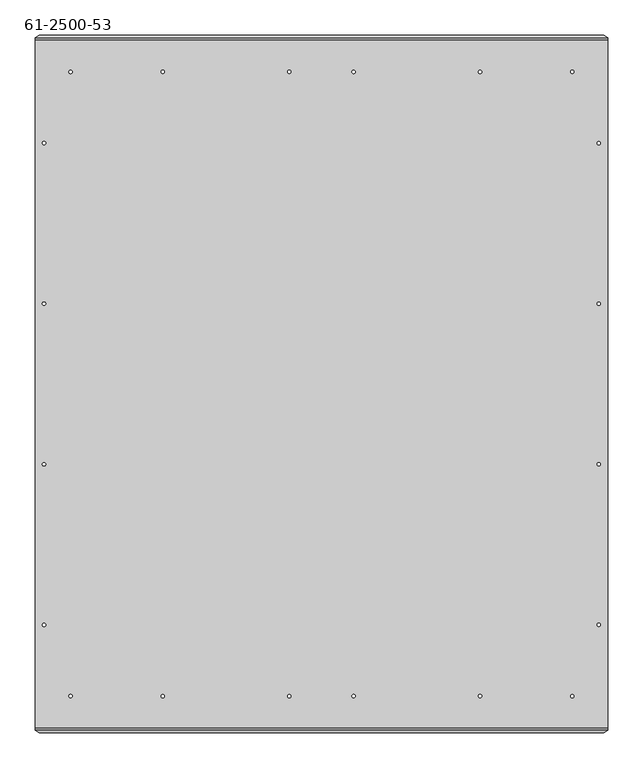
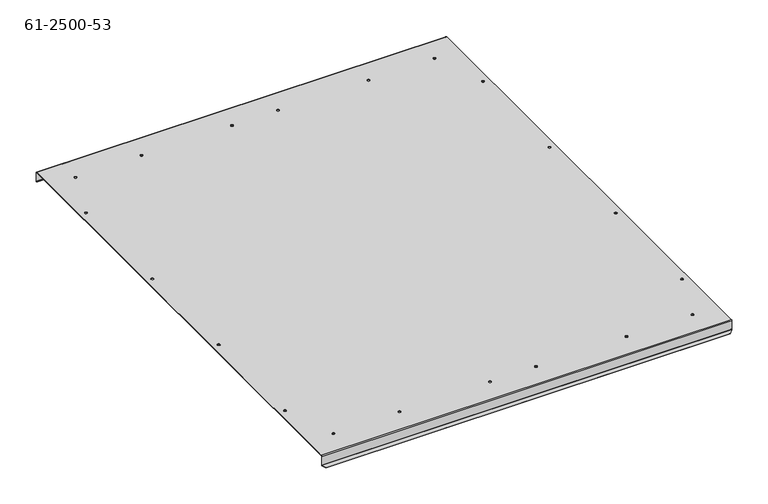
"""IFC4 building model written with IfcOpenShell, lengths in millimetres: proxy geometry, 61-2500-53."""

from ifc_helpers import new_model, si_unit, frame, origin, place, context, project, spatial, polyline, circle_curve, source, transform, mapped, element, save
from ifc_brep_helpers import plane_surface, cylinder_surface, revolved_surface, advanced_brep


def proxy_61_2500_53_4aa25e00(model_context):
    return source(origin(), model_context, "Body", "AdvancedBrep", [
        advanced_brep(
        [(-4.4783967, -120.6616292, -0.85344), (-4.4783967, -120.6616292, 0.0), (-9.1773967, -120.6616292, 0.0), (-9.1773967, -120.6616292, -0.85344), (-4.4783967, -349.0838292, -0.85344), (-4.4783967, -349.0838292, 0.0), (-9.1773967, -349.0838292, 0.0), (-9.1773967, -349.0838292, -0.85344), (-4.4783967, -577.5060292, -0.85344), (-4.4783967, -577.5060292, 0.0), (-9.1773967, -577.5060292, 0.0), (-9.1773967, -577.5060292, -0.85344), (-4.4783967, -805.9282292, -0.85344), (-4.4783967, -805.9282292, 0.0), (-9.1773967, -805.9282292, 0.0), (-9.1773967, -805.9282292, -0.85344), (784.6640433, -120.6616292, -0.85344), (784.6640433, -120.6616292, 0.0), (779.9650433, -120.6616292, 0.0), (779.9650433, -120.6616292, -0.85344), (784.6640433, -349.0838292, -0.85344), (784.6640433, -349.0838292, 0.0), (779.9650433, -349.0838292, 0.0), (779.9650433, -349.0838292, -0.85344), (784.6640433, -577.5060292, -0.85344), (784.6640433, -577.5060292, 0.0), (779.9650433, -577.5060292, 0.0), (779.9650433, -577.5060292, -0.85344), (784.6640433, -805.9282292, -0.85344), (784.6640433, -805.9282292, 0.0), (779.9650433, -805.9282292, 0.0), (779.9650433, -805.9282292, -0.85344), (344.3474233, -19.3410292, -0.85344), (344.3474233, -19.3410292, 0.0), (339.6484233, -19.3410292, 0.0), (339.6484233, -19.3410292, -0.85344), (435.8382233, -19.3410292, -0.85344), (435.8382233, -19.3410292, 0.0), (431.1392233, -19.3410292, 0.0), (431.1392233, -19.3410292, -0.85344), (615.7464233, -19.3410292, -0.85344), (615.7464233, -19.3410292, 0.0), (611.0474233, -19.3410292, 0.0), (611.0474233, -19.3410292, -0.85344), (344.3474233, -907.2488292, -0.85344), (344.3474233, -907.2488292, 0.0), (339.6484233, -907.2488292, 0.0), (339.6484233, -907.2488292, -0.85344), (435.8382233, -907.2488292, -0.85344), (435.8382233, -907.2488292, 0.0), (431.1392233, -907.2488292, 0.0), (431.1392233, -907.2488292, -0.85344), (615.7464233, -907.2488292, -0.85344), (615.7464233, -907.2488292, 0.0), (611.0474233, -907.2488292, 0.0), (611.0474233, -907.2488292, -0.85344), (164.4392233, -19.3410292, -0.85344), (164.4392233, -19.3410292, 0.0), (159.7402233, -19.3410292, 0.0), (159.7402233, -19.3410292, -0.85344), (33.2558433, -19.3410292, -0.85344), (33.2558433, -19.3410292, 0.0), (28.5568433, -19.3410292, 0.0), (28.5568433, -19.3410292, -0.85344), (33.2558433, -907.2488292, -0.85344), (33.2558433, -907.2488292, 0.0), (28.5568433, -907.2488292, 0.0), (28.5568433, -907.2488292, -0.85344), (164.4392233, -907.2488292, -0.85344), (164.4392233, -907.2488292, 0.0), (159.7402233, -907.2488292, 0.0), (159.7402233, -907.2488292, -0.85344), (746.9298033, -907.2488292, -0.85344), (746.9298033, -907.2488292, 0.0), (742.2308033, -907.2488292, 0.0), (742.2308033, -907.2488292, -0.85344), (746.9298033, -19.3410292, -0.85344), (746.9298033, -19.3410292, 0.0), (742.2308033, -19.3410292, 0.0), (742.2308033, -19.3410292, -0.85344), (-19.5278967, -955.0433929, -21.0996101), (-14.0160967, -958.940824, -24.9970413), (-14.0160967, -959.5442972, -24.3935681), (-19.5278967, -955.6468661, -20.4961369), (-19.5278967, -955.3041359, -20.1534068), (-19.5278967, -955.0541692, -19.5499336), (-19.5278967, -955.0541692, -1.70688), (-19.5278967, -953.3472892, 0.0), (-19.5278967, 26.7574308, 0.0), (-19.5278967, 28.4643108, -1.70688), (-19.5278967, 28.4643108, -19.5499336), (-19.5278967, 28.7142776, -20.1534068), (-19.5278967, 29.0570077, -20.4961369), (-19.5278967, 28.4535345, -21.0996101), (-19.5278967, 28.1108044, -20.75688), (-19.5278967, 27.6108708, -19.5499336), (-19.5278967, 27.6108708, -1.70688), (-19.5278967, 26.7574308, -0.85344), (-19.5278967, -953.3472892, -0.85344), (-19.5278967, -954.2007292, -1.70688), (-19.5278967, -954.2007292, -19.5499336), (-19.5278967, -954.7006627, -20.75688), (789.5027433, -959.5442972, -24.3935681), (795.0145433, -955.6468661, -20.4961369), (795.0145433, -955.3041359, -20.1534068), (-14.0160967, 32.3509657, -24.9970413), (-14.0160967, 32.9544389, -24.3935681), (789.5027433, 32.9544389, -24.3935681), (789.5027433, 32.3509657, -24.9970413), (795.0145433, 28.7142776, -20.1534068), (795.0145433, 29.0570077, -20.4961369), (789.5027433, -958.940824, -24.9970413), (795.0145433, -955.0433929, -21.0996101), (795.0145433, -954.7006627, -20.75688), (795.0145433, -954.2007292, -19.5499336), (795.0145433, -954.2007292, -1.70688), (795.0145433, -953.3472892, -0.85344), (795.0145433, 26.7574308, -0.85344), (795.0145433, 27.6108708, -1.70688), (795.0145433, 27.6108708, -19.5499336), (795.0145433, 28.1108044, -20.75688), (795.0145433, 28.4535345, -21.0996101), (795.0145433, 28.4643108, -19.5499336), (795.0145433, 28.4643108, -1.70688), (795.0145433, 26.7574308, 0.0), (795.0145433, -953.3472892, 0.0), (795.0145433, -955.0541692, -1.70688), (795.0145433, -955.0541692, -19.5499336)],
        [
            (0, 1),
            (1, 2, circle_curve(frame((-6.8278967, -120.6616292, 0.0), z_axis=(0.0, 0.0, 1.0), x_axis=(1.0, 0.0, 0.0)), 2.3495)),
            (2, 3),
            (3, 0, circle_curve(frame((-6.8278967, -120.6616292, -0.85344), z_axis=(0.0, 0.0, -1.0), x_axis=(1.0, 0.0, 0.0)), 2.3495)),
            (4, 5),
            (5, 6, circle_curve(frame((-6.8278967, -349.0838292, 0.0), z_axis=(0.0, 0.0, 1.0), x_axis=(1.0, 0.0, 0.0)), 2.3495)),
            (6, 7),
            (7, 4, circle_curve(frame((-6.8278967, -349.0838292, -0.85344), z_axis=(0.0, 0.0, -1.0), x_axis=(1.0, 0.0, 0.0)), 2.3495)),
            (8, 9),
            (9, 10, circle_curve(frame((-6.8278967, -577.5060292, 0.0), z_axis=(0.0, 0.0, 1.0), x_axis=(1.0, 0.0, 0.0)), 2.3495)),
            (10, 11),
            (11, 8, circle_curve(frame((-6.8278967, -577.5060292, -0.85344), z_axis=(0.0, 0.0, -1.0), x_axis=(1.0, 0.0, 0.0)), 2.3495)),
            (12, 13),
            (13, 14, circle_curve(frame((-6.8278967, -805.9282292, 0.0), z_axis=(0.0, 0.0, 1.0), x_axis=(1.0, 0.0, 0.0)), 2.3495)),
            (14, 15),
            (15, 12, circle_curve(frame((-6.8278967, -805.9282292, -0.85344), z_axis=(0.0, 0.0, -1.0), x_axis=(1.0, 0.0, 0.0)), 2.3495)),
            (16, 17),
            (17, 18, circle_curve(frame((782.3145433, -120.6616292, 0.0), z_axis=(0.0, 0.0, 1.0), x_axis=(1.0, 0.0, 0.0)), 2.3495)),
            (18, 19),
            (19, 16, circle_curve(frame((782.3145433, -120.6616292, -0.85344), z_axis=(0.0, 0.0, -1.0), x_axis=(1.0, 0.0, 0.0)), 2.3495)),
            (20, 21),
            (21, 22, circle_curve(frame((782.3145433, -349.0838292, 0.0), z_axis=(0.0, 0.0, 1.0), x_axis=(1.0, 0.0, 0.0)), 2.3495)),
            (22, 23),
            (23, 20, circle_curve(frame((782.3145433, -349.0838292, -0.85344), z_axis=(0.0, 0.0, -1.0), x_axis=(1.0, 0.0, 0.0)), 2.3495)),
            (24, 25),
            (25, 26, circle_curve(frame((782.3145433, -577.5060292, 0.0), z_axis=(0.0, 0.0, 1.0), x_axis=(1.0, 0.0, 0.0)), 2.3495)),
            (26, 27),
            (27, 24, circle_curve(frame((782.3145433, -577.5060292, -0.85344), z_axis=(0.0, 0.0, -1.0), x_axis=(1.0, 0.0, 0.0)), 2.3495)),
            (28, 29),
            (29, 30, circle_curve(frame((782.3145433, -805.9282292, 0.0), z_axis=(0.0, 0.0, 1.0), x_axis=(1.0, 0.0, 0.0)), 2.3495)),
            (30, 31),
            (31, 28, circle_curve(frame((782.3145433, -805.9282292, -0.85344), z_axis=(0.0, 0.0, -1.0), x_axis=(1.0, 0.0, 0.0)), 2.3495)),
            (32, 33),
            (33, 34, circle_curve(frame((341.9979233, -19.3410292, 0.0), z_axis=(0.0, 0.0, 1.0), x_axis=(1.0, 0.0, 0.0)), 2.3495)),
            (34, 35),
            (35, 32, circle_curve(frame((341.9979233, -19.3410292, -0.85344), z_axis=(0.0, 0.0, -1.0), x_axis=(1.0, 0.0, 0.0)), 2.3495)),
            (36, 37),
            (37, 38, circle_curve(frame((433.4887233, -19.3410292, 0.0), z_axis=(0.0, 0.0, 1.0), x_axis=(1.0, 0.0, 0.0)), 2.3495)),
            (38, 39),
            (39, 36, circle_curve(frame((433.4887233, -19.3410292, -0.85344), z_axis=(0.0, 0.0, -1.0), x_axis=(1.0, 0.0, 0.0)), 2.3495)),
            (40, 41),
            (41, 42, circle_curve(frame((613.3969233, -19.3410292, 0.0), z_axis=(0.0, 0.0, 1.0), x_axis=(1.0, 0.0, 0.0)), 2.3495)),
            (42, 43),
            (43, 40, circle_curve(frame((613.3969233, -19.3410292, -0.85344), z_axis=(0.0, 0.0, -1.0), x_axis=(1.0, 0.0, 0.0)), 2.3495)),
            (44, 45),
            (45, 46, circle_curve(frame((341.9979233, -907.2488292, 0.0), z_axis=(0.0, 0.0, 1.0), x_axis=(1.0, 0.0, 0.0)), 2.3495)),
            (46, 47),
            (47, 44, circle_curve(frame((341.9979233, -907.2488292, -0.85344), z_axis=(0.0, 0.0, -1.0), x_axis=(1.0, 0.0, 0.0)), 2.3495)),
            (48, 49),
            (49, 50, circle_curve(frame((433.4887233, -907.2488292, 0.0), z_axis=(0.0, 0.0, 1.0), x_axis=(1.0, 0.0, 0.0)), 2.3495)),
            (50, 51),
            (51, 48, circle_curve(frame((433.4887233, -907.2488292, -0.85344), z_axis=(0.0, 0.0, -1.0), x_axis=(1.0, 0.0, 0.0)), 2.3495)),
            (52, 53),
            (53, 54, circle_curve(frame((613.3969233, -907.2488292, 0.0), z_axis=(0.0, 0.0, 1.0), x_axis=(1.0, 0.0, 0.0)), 2.3495)),
            (54, 55),
            (55, 52, circle_curve(frame((613.3969233, -907.2488292, -0.85344), z_axis=(0.0, 0.0, -1.0), x_axis=(1.0, 0.0, 0.0)), 2.3495)),
            (56, 57),
            (57, 58, circle_curve(frame((162.0897233, -19.3410292, 0.0), z_axis=(0.0, 0.0, 1.0), x_axis=(1.0, 0.0, 0.0)), 2.3495)),
            (58, 59),
            (59, 56, circle_curve(frame((162.0897233, -19.3410292, -0.85344), z_axis=(0.0, 0.0, -1.0), x_axis=(1.0, 0.0, 0.0)), 2.3495)),
            (60, 61),
            (61, 62, circle_curve(frame((30.9063433, -19.3410292, 0.0), z_axis=(0.0, 0.0, 1.0), x_axis=(1.0, 0.0, 0.0)), 2.3495)),
            (62, 63),
            (63, 60, circle_curve(frame((30.9063433, -19.3410292, -0.85344), z_axis=(0.0, 0.0, -1.0), x_axis=(1.0, 0.0, 0.0)), 2.3495)),
            (64, 65),
            (65, 66, circle_curve(frame((30.9063433, -907.2488292, 0.0), z_axis=(0.0, 0.0, 1.0), x_axis=(1.0, 0.0, 0.0)), 2.3495)),
            (66, 67),
            (67, 64, circle_curve(frame((30.9063433, -907.2488292, -0.85344), z_axis=(0.0, 0.0, -1.0), x_axis=(1.0, 0.0, 0.0)), 2.3495)),
            (68, 69),
            (69, 70, circle_curve(frame((162.0897233, -907.2488292, 0.0), z_axis=(0.0, 0.0, 1.0), x_axis=(1.0, 0.0, 0.0)), 2.3495)),
            (70, 71),
            (71, 68, circle_curve(frame((162.0897233, -907.2488292, -0.85344), z_axis=(0.0, 0.0, -1.0), x_axis=(1.0, 0.0, 0.0)), 2.3495)),
            (72, 73),
            (73, 74, circle_curve(frame((744.5803033, -907.2488292, 0.0), z_axis=(0.0, 0.0, 1.0), x_axis=(1.0, 0.0, 0.0)), 2.3495)),
            (74, 75),
            (75, 72, circle_curve(frame((744.5803033, -907.2488292, -0.85344), z_axis=(0.0, 0.0, -1.0), x_axis=(1.0, 0.0, 0.0)), 2.3495)),
            (76, 77),
            (77, 78, circle_curve(frame((744.5803033, -19.3410292, 0.0), z_axis=(0.0, 0.0, 1.0), x_axis=(1.0, 0.0, 0.0)), 2.3495)),
            (78, 79),
            (79, 76, circle_curve(frame((744.5803033, -19.3410292, -0.85344), z_axis=(0.0, 0.0, -1.0), x_axis=(1.0, 0.0, 0.0)), 2.3495)),
            (76, 79, circle_curve(frame((744.5803033, -19.3410292, -0.85344), z_axis=(0.0, 0.0, -1.0), x_axis=(1.0, 0.0, 0.0)), 2.3495)),
            (78, 77, circle_curve(frame((744.5803033, -19.3410292, 0.0), z_axis=(0.0, 0.0, 1.0), x_axis=(1.0, 0.0, 0.0)), 2.3495)),
            (72, 75, circle_curve(frame((744.5803033, -907.2488292, -0.85344), z_axis=(0.0, 0.0, -1.0), x_axis=(1.0, 0.0, 0.0)), 2.3495)),
            (74, 73, circle_curve(frame((744.5803033, -907.2488292, 0.0), z_axis=(0.0, 0.0, 1.0), x_axis=(1.0, 0.0, 0.0)), 2.3495)),
            (68, 71, circle_curve(frame((162.0897233, -907.2488292, -0.85344), z_axis=(0.0, 0.0, -1.0), x_axis=(1.0, 0.0, 0.0)), 2.3495)),
            (70, 69, circle_curve(frame((162.0897233, -907.2488292, 0.0), z_axis=(0.0, 0.0, 1.0), x_axis=(1.0, 0.0, 0.0)), 2.3495)),
            (64, 67, circle_curve(frame((30.9063433, -907.2488292, -0.85344), z_axis=(0.0, 0.0, -1.0), x_axis=(1.0, 0.0, 0.0)), 2.3495)),
            (66, 65, circle_curve(frame((30.9063433, -907.2488292, 0.0), z_axis=(0.0, 0.0, 1.0), x_axis=(1.0, 0.0, 0.0)), 2.3495)),
            (60, 63, circle_curve(frame((30.9063433, -19.3410292, -0.85344), z_axis=(0.0, 0.0, -1.0), x_axis=(1.0, 0.0, 0.0)), 2.3495)),
            (62, 61, circle_curve(frame((30.9063433, -19.3410292, 0.0), z_axis=(0.0, 0.0, 1.0), x_axis=(1.0, 0.0, 0.0)), 2.3495)),
            (56, 59, circle_curve(frame((162.0897233, -19.3410292, -0.85344), z_axis=(0.0, 0.0, -1.0), x_axis=(1.0, 0.0, 0.0)), 2.3495)),
            (58, 57, circle_curve(frame((162.0897233, -19.3410292, 0.0), z_axis=(0.0, 0.0, 1.0), x_axis=(1.0, 0.0, 0.0)), 2.3495)),
            (52, 55, circle_curve(frame((613.3969233, -907.2488292, -0.85344), z_axis=(0.0, 0.0, -1.0), x_axis=(1.0, 0.0, 0.0)), 2.3495)),
            (54, 53, circle_curve(frame((613.3969233, -907.2488292, 0.0), z_axis=(0.0, 0.0, 1.0), x_axis=(1.0, 0.0, 0.0)), 2.3495)),
            (48, 51, circle_curve(frame((433.4887233, -907.2488292, -0.85344), z_axis=(0.0, 0.0, -1.0), x_axis=(1.0, 0.0, 0.0)), 2.3495)),
            (50, 49, circle_curve(frame((433.4887233, -907.2488292, 0.0), z_axis=(0.0, 0.0, 1.0), x_axis=(1.0, 0.0, 0.0)), 2.3495)),
            (44, 47, circle_curve(frame((341.9979233, -907.2488292, -0.85344), z_axis=(0.0, 0.0, -1.0), x_axis=(1.0, 0.0, 0.0)), 2.3495)),
            (46, 45, circle_curve(frame((341.9979233, -907.2488292, 0.0), z_axis=(0.0, 0.0, 1.0), x_axis=(1.0, 0.0, 0.0)), 2.3495)),
            (40, 43, circle_curve(frame((613.3969233, -19.3410292, -0.85344), z_axis=(0.0, 0.0, -1.0), x_axis=(1.0, 0.0, 0.0)), 2.3495)),
            (42, 41, circle_curve(frame((613.3969233, -19.3410292, 0.0), z_axis=(0.0, 0.0, 1.0), x_axis=(1.0, 0.0, 0.0)), 2.3495)),
            (36, 39, circle_curve(frame((433.4887233, -19.3410292, -0.85344), z_axis=(0.0, 0.0, -1.0), x_axis=(1.0, 0.0, 0.0)), 2.3495)),
            (38, 37, circle_curve(frame((433.4887233, -19.3410292, 0.0), z_axis=(0.0, 0.0, 1.0), x_axis=(1.0, 0.0, 0.0)), 2.3495)),
            (32, 35, circle_curve(frame((341.9979233, -19.3410292, -0.85344), z_axis=(0.0, 0.0, -1.0), x_axis=(1.0, 0.0, 0.0)), 2.3495)),
            (34, 33, circle_curve(frame((341.9979233, -19.3410292, 0.0), z_axis=(0.0, 0.0, 1.0), x_axis=(1.0, 0.0, 0.0)), 2.3495)),
            (28, 31, circle_curve(frame((782.3145433, -805.9282292, -0.85344), z_axis=(0.0, 0.0, -1.0), x_axis=(1.0, 0.0, 0.0)), 2.3495)),
            (30, 29, circle_curve(frame((782.3145433, -805.9282292, 0.0), z_axis=(0.0, 0.0, 1.0), x_axis=(1.0, 0.0, 0.0)), 2.3495)),
            (24, 27, circle_curve(frame((782.3145433, -577.5060292, -0.85344), z_axis=(0.0, 0.0, -1.0), x_axis=(1.0, 0.0, 0.0)), 2.3495)),
            (26, 25, circle_curve(frame((782.3145433, -577.5060292, 0.0), z_axis=(0.0, 0.0, 1.0), x_axis=(1.0, 0.0, 0.0)), 2.3495)),
            (20, 23, circle_curve(frame((782.3145433, -349.0838292, -0.85344), z_axis=(0.0, 0.0, -1.0), x_axis=(1.0, 0.0, 0.0)), 2.3495)),
            (22, 21, circle_curve(frame((782.3145433, -349.0838292, 0.0), z_axis=(0.0, 0.0, 1.0), x_axis=(1.0, 0.0, 0.0)), 2.3495)),
            (16, 19, circle_curve(frame((782.3145433, -120.6616292, -0.85344), z_axis=(0.0, 0.0, -1.0), x_axis=(1.0, 0.0, 0.0)), 2.3495)),
            (18, 17, circle_curve(frame((782.3145433, -120.6616292, 0.0), z_axis=(0.0, 0.0, 1.0), x_axis=(1.0, 0.0, 0.0)), 2.3495)),
            (12, 15, circle_curve(frame((-6.8278967, -805.9282292, -0.85344), z_axis=(0.0, 0.0, -1.0), x_axis=(1.0, 0.0, 0.0)), 2.3495)),
            (14, 13, circle_curve(frame((-6.8278967, -805.9282292, 0.0), z_axis=(0.0, 0.0, 1.0), x_axis=(1.0, 0.0, 0.0)), 2.3495)),
            (8, 11, circle_curve(frame((-6.8278967, -577.5060292, -0.85344), z_axis=(0.0, 0.0, -1.0), x_axis=(1.0, 0.0, 0.0)), 2.3495)),
            (10, 9, circle_curve(frame((-6.8278967, -577.5060292, 0.0), z_axis=(0.0, 0.0, 1.0), x_axis=(1.0, 0.0, 0.0)), 2.3495)),
            (4, 7, circle_curve(frame((-6.8278967, -349.0838292, -0.85344), z_axis=(0.0, 0.0, -1.0), x_axis=(1.0, 0.0, 0.0)), 2.3495)),
            (6, 5, circle_curve(frame((-6.8278967, -349.0838292, 0.0), z_axis=(0.0, 0.0, 1.0), x_axis=(1.0, 0.0, 0.0)), 2.3495)),
            (0, 3, circle_curve(frame((-6.8278967, -120.6616292, -0.85344), z_axis=(0.0, 0.0, -1.0), x_axis=(1.0, 0.0, 0.0)), 2.3495)),
            (2, 1, circle_curve(frame((-6.8278967, -120.6616292, 0.0), z_axis=(0.0, 0.0, 1.0), x_axis=(1.0, 0.0, 0.0)), 2.3495)),
            (80, 81),
            (81, 82),
            (82, 83),
            (83, 80),
            (83, 84),
            (84, 85, circle_curve(frame((-19.5278967, -955.9076092, -19.5499336), z_axis=(1.0, 0.0, 0.0), x_axis=(0.0, 1.0, 0.0)), 0.85344)),
            (85, 86),
            (86, 87, circle_curve(frame((-19.5278967, -953.3472892, -1.70688), z_axis=(-1.0, 0.0, 0.0), x_axis=(0.0, 0.0, 1.0)), 1.70688)),
            (87, 88),
            (88, 89, circle_curve(frame((-19.5278967, 26.7574308, -1.70688), z_axis=(-1.0, 0.0, 0.0), x_axis=(0.0, 0.0, 1.0)), 1.70688)),
            (89, 90),
            (90, 91, circle_curve(frame((-19.5278967, 29.3177508, -19.5499336), z_axis=(1.0, 0.0, 0.0), x_axis=(0.0, -1.0, 0.0)), 0.85344)),
            (91, 92),
            (92, 93),
            (93, 94),
            (94, 95, circle_curve(frame((-19.5278967, 29.3177508, -19.5499336), z_axis=(-1.0, 0.0, 0.0), x_axis=(0.0, -1.0, 0.0)), 1.70688)),
            (95, 96),
            (96, 97, circle_curve(frame((-19.5278967, 26.7574308, -1.70688), z_axis=(1.0, 0.0, 0.0), x_axis=(0.0, 0.0, 1.0)), 0.85344)),
            (97, 98),
            (98, 99, circle_curve(frame((-19.5278967, -953.3472892, -1.70688), z_axis=(1.0, 0.0, 0.0), x_axis=(0.0, 0.0, 1.0)), 0.85344)),
            (99, 100),
            (100, 101, circle_curve(frame((-19.5278967, -955.9076092, -19.5499336), z_axis=(-1.0, 0.0, 0.0), x_axis=(0.0, 1.0, 0.0)), 1.70688)),
            (101, 80),
            (82, 102),
            (102, 103),
            (103, 104),
            (104, 84),
            (105, 93),
            (92, 106),
            (106, 105),
            (106, 107),
            (107, 108),
            (108, 105),
            (91, 109),
            (109, 110),
            (110, 107),
            (111, 112),
            (112, 103),
            (102, 111),
            (112, 113),
            (113, 114, circle_curve(frame((795.0145433, -955.9076092, -19.5499336), z_axis=(1.0, 0.0, 0.0), x_axis=(0.0, 1.0, 0.0)), 1.70688)),
            (114, 115),
            (115, 116, circle_curve(frame((795.0145433, -953.3472892, -1.70688), z_axis=(-1.0, 0.0, 0.0), x_axis=(0.0, 0.0, 1.0)), 0.85344)),
            (116, 117),
            (117, 118, circle_curve(frame((795.0145433, 26.7574308, -1.70688), z_axis=(-1.0, 0.0, 0.0), x_axis=(0.0, 0.0, 1.0)), 0.85344)),
            (118, 119),
            (119, 120, circle_curve(frame((795.0145433, 29.3177508, -19.5499336), z_axis=(1.0, 0.0, 0.0), x_axis=(0.0, -1.0, 0.0)), 1.70688)),
            (120, 121),
            (121, 110),
            (109, 122, circle_curve(frame((795.0145433, 29.3177508, -19.5499336), z_axis=(-1.0, 0.0, 0.0), x_axis=(0.0, -1.0, 0.0)), 0.85344)),
            (122, 123),
            (123, 124, circle_curve(frame((795.0145433, 26.7574308, -1.70688), z_axis=(1.0, 0.0, 0.0), x_axis=(0.0, 0.0, 1.0)), 1.70688)),
            (124, 125),
            (125, 126, circle_curve(frame((795.0145433, -953.3472892, -1.70688), z_axis=(1.0, 0.0, 0.0), x_axis=(0.0, 0.0, 1.0)), 1.70688)),
            (126, 127),
            (127, 104, circle_curve(frame((795.0145433, -955.9076092, -19.5499336), z_axis=(-1.0, 0.0, 0.0), x_axis=(0.0, 1.0, 0.0)), 0.85344)),
            (121, 108),
            (120, 94),
            (90, 122),
            (119, 95),
            (89, 123),
            (81, 111),
            (101, 113),
            (127, 85),
            (100, 114),
            (99, 115),
            (126, 86),
            (98, 116),
            (125, 87),
            (97, 117),
            (118, 96),
            (88, 124),
        ],
        [
            revolved_surface(polyline([(-4.4783967, -120.6616292, 0.0), (-4.4783967, -120.6616292, -0.8534400000000915)]), (-6.8278967, -120.6616292, -1284.1954601), (0.0, 0.0, 1.0)),
            revolved_surface(polyline([(-4.4783967, -349.0838292, 0.0), (-4.4783967, -349.0838292, -0.8534400000000915)]), (-6.8278967, -349.0838292, -1284.1954601), (0.0, 0.0, 1.0)),
            revolved_surface(polyline([(-4.4783967, -577.5060292, 0.0), (-4.4783967, -577.5060292, -0.8534400000000915)]), (-6.8278967, -577.5060292, -1284.1954601), (0.0, 0.0, 1.0)),
            revolved_surface(polyline([(-4.4783967, -805.9282292, 0.0), (-4.4783967, -805.9282292, -0.8534400000000915)]), (-6.8278967, -805.9282292, -1284.1954601), (0.0, 0.0, 1.0)),
            revolved_surface(polyline([(784.6640433, -120.6616292, 0.0), (784.6640433, -120.6616292, -0.8534400000000915)]), (782.3145433, -120.6616292, -1284.1954601), (0.0, 0.0, 1.0)),
            revolved_surface(polyline([(784.6640433, -349.0838292, 0.0), (784.6640433, -349.0838292, -0.8534400000000915)]), (782.3145433, -349.0838292, -1284.1954601), (0.0, 0.0, 1.0)),
            revolved_surface(polyline([(784.6640433, -577.5060292, 0.0), (784.6640433, -577.5060292, -0.8534400000000915)]), (782.3145433, -577.5060292, -1284.1954601), (0.0, 0.0, 1.0)),
            revolved_surface(polyline([(784.6640433, -805.9282292, 0.0), (784.6640433, -805.9282292, -0.8534400000000915)]), (782.3145433, -805.9282292, -1284.1954601), (0.0, 0.0, 1.0)),
            revolved_surface(polyline([(344.3474233, -19.3410292, 0.0), (344.3474233, -19.3410292, -0.8534400000000915)]), (341.9979233, -19.3410292, -1284.1954601), (0.0, 0.0, 1.0)),
            revolved_surface(polyline([(435.8382233, -19.3410292, 0.0), (435.8382233, -19.3410292, -0.8534400000000915)]), (433.4887233, -19.3410292, -1284.1954601), (0.0, 0.0, 1.0)),
            revolved_surface(polyline([(615.7464233000001, -19.3410292, 0.0), (615.7464233000001, -19.3410292, -0.8534400000000915)]), (613.3969233, -19.3410292, -1284.1954601), (0.0, 0.0, 1.0)),
            revolved_surface(polyline([(344.3474233, -907.2488292, 0.0), (344.3474233, -907.2488292, -0.8534400000000915)]), (341.9979233, -907.2488292, -1284.1954601), (0.0, 0.0, 1.0)),
            revolved_surface(polyline([(435.8382233, -907.2488292, 0.0), (435.8382233, -907.2488292, -0.8534400000000915)]), (433.4887233, -907.2488292, -1284.1954601), (0.0, 0.0, 1.0)),
            revolved_surface(polyline([(615.7464233000001, -907.2488292, 0.0), (615.7464233000001, -907.2488292, -0.8534400000000915)]), (613.3969233, -907.2488292, -1284.1954601), (0.0, 0.0, 1.0)),
            revolved_surface(polyline([(164.4392233, -19.3410292, 0.0), (164.4392233, -19.3410292, -0.8534400000000915)]), (162.0897233, -19.3410292, -1284.1954601), (0.0, 0.0, 1.0)),
            revolved_surface(polyline([(33.2558433, -19.3410292, 0.0), (33.2558433, -19.3410292, -0.8534400000000915)]), (30.9063433, -19.3410292, -1284.1954601), (0.0, 0.0, 1.0)),
            revolved_surface(polyline([(33.2558433, -907.2488292, 0.0), (33.2558433, -907.2488292, -0.8534400000000915)]), (30.9063433, -907.2488292, -1284.1954601), (0.0, 0.0, 1.0)),
            revolved_surface(polyline([(164.4392233, -907.2488292, 0.0), (164.4392233, -907.2488292, -0.8534400000000915)]), (162.0897233, -907.2488292, -1284.1954601), (0.0, 0.0, 1.0)),
            revolved_surface(polyline([(746.9298033, -907.2488292, 0.0), (746.9298033, -907.2488292, -0.8534400000000915)]), (744.5803033, -907.2488292, -1284.1954601), (0.0, 0.0, 1.0)),
            revolved_surface(polyline([(746.9298033, -19.3410292, 0.0), (746.9298033, -19.3410292, -0.8534400000000915)]), (744.5803033, -19.3410292, -1284.1954601), (0.0, 0.0, 1.0)),
            plane_surface(frame((-16.7719967, -709.4708976, -270.5695365), z_axis=(-0.707106781186529, -0.49999999999998646, -0.5000000000000399), x_axis=(-0.5773502691896666, 0.0, 0.8164965809276973))),
            plane_surface(frame((-19.5278967, 32.9544389, -24.3935681), z_axis=(-1.0, 0.0, 0.0), x_axis=(0.0, 0.0, 1.0))),
            plane_surface(frame((387.7433233, -957.2992332, -22.148504), z_axis=(0.0, -0.7071067811865502, 0.7071067811865448), x_axis=(-1.0, 0.0, 0.0))),
            plane_surface(frame((-16.7719967, 31.0057233, -22.4448525), z_axis=(-0.707106781186546, 0.5000000000000002, -0.5000000000000021), x_axis=(-0.5773502691896283, 0.0, 0.8164965809277244))),
            plane_surface(frame((795.0145433, 32.9544389, -24.3935681), z_axis=(0.0, 0.7071067811865462, -0.7071067811865488), x_axis=(-1.0, 0.0, 0.0))),
            plane_surface(frame((387.7433233, 30.7093749, -22.148504), z_axis=(0.0, 0.7071067811865477, 0.7071067811865474), x_axis=(1.0, 0.0, 0.0))),
            plane_surface(frame((792.2586433, -711.7159616, -268.3244725), z_axis=(0.7071067811865475, -0.49999999999997347, -0.5000000000000269), x_axis=(-0.5773502691896465, 0.0, -0.8164965809277114))),
            plane_surface(frame((795.0145433, 28.4643108, -19.90344), z_axis=(1.0, 0.0, 0.0), x_axis=(0.0, 0.0, -1.0))),
            plane_surface(frame((792.2586433, 31.0057233, -22.4448525), z_axis=(0.707106781186546, 0.5000000000000002, -0.5000000000000021), x_axis=(-0.5773502691896283, 0.0, -0.8164965809277244))),
            plane_surface(frame((387.7433233, 30.1059017, -22.7519772), z_axis=(0.0, -0.7071067811865478, -0.7071067811865474), x_axis=(1.0, 0.0, 0.0))),
            revolved_surface(polyline([(795.0145433, 28.4643108, -19.5499336), (-19.527896699999985, 28.4643108, -19.5499336)]), (387.7433233, 29.3177508, -19.5499336), (1.0, 0.0, 0.0)),
            cylinder_surface(frame((387.7433233, 29.3177508, -19.5499336), z_axis=(1.0, 0.0, 0.0), x_axis=(0.0, -1.0, 0.0)), 1.70688),
            plane_surface(frame((387.7433233, 28.4643108, -10.37844), z_axis=(0.0, 1.0, 0.0), x_axis=(0.0, 0.0, 1.0))),
            plane_surface(frame((-19.5278967, -959.5442972, -24.3935681), z_axis=(0.0, -0.7071067811865098, -0.7071067811865853), x_axis=(-1.0, 0.0, 0.0))),
            plane_surface(frame((387.7433233, -956.69576, -22.7519772), z_axis=(0.0, 0.7071067811865498, -0.7071067811865454), x_axis=(-1.0, 0.0, 0.0))),
            revolved_surface(polyline([(-19.527896699999985, -955.0541692, -19.5499336), (795.0145433, -955.0541692, -19.5499336)]), (387.7433233, -955.9076092, -19.5499336), (-1.0, 0.0, 0.0)),
            cylinder_surface(frame((387.7433233, -955.9076092, -19.5499336), z_axis=(-1.0, 0.0, 0.0), x_axis=(0.0, 1.0, 0.0)), 1.70688),
            plane_surface(frame((387.7433233, -954.2007292, -10.37844), z_axis=(0.0, 1.0, 0.0), x_axis=(0.0, 0.0, 1.0))),
            plane_surface(frame((387.7433233, -955.0541692, -10.37844), z_axis=(0.0, -1.0, 0.0), x_axis=(0.0, 0.0, 1.0))),
            revolved_surface(polyline([(795.0145433, -953.3472892, -0.85344), (-19.527896699999985, -953.3472892, -0.85344)]), (387.7433233, -953.3472892, -1.70688), (1.0, 0.0, 0.0)),
            cylinder_surface(frame((387.7433233, -953.3472892, -1.70688), z_axis=(1.0, 0.0, 0.0), x_axis=(0.0, 0.0, 1.0)), 1.70688),
            plane_surface(frame((387.7433233, -463.2949292, -0.85344), z_axis=(0.0, 0.0, -1.0), x_axis=(1.0, 0.0, 0.0))),
            plane_surface(frame((387.7433233, 27.6108708, -10.37844), z_axis=(0.0, -1.0, 0.0), x_axis=(0.0, 0.0, 1.0))),
            revolved_surface(polyline([(-19.527896699999985, 26.7574308, -0.85344), (795.0145433, 26.7574308, -0.85344)]), (387.7433233, 26.7574308, -1.70688), (-1.0, 0.0, 0.0)),
            cylinder_surface(frame((387.7433233, 26.7574308, -1.70688), z_axis=(-1.0, 0.0, 0.0), x_axis=(0.0, 0.0, 1.0)), 1.70688),
            plane_surface(frame((387.7433233, -463.2949292, 0.0), z_axis=(0.0, 0.0, 1.0), x_axis=(1.0, 0.0, 0.0))),
        ],
        [
            (0, [[1, 2, 3, 4]]),
            (1, [[5, 6, 7, 8]]),
            (2, [[9, 10, 11, 12]]),
            (3, [[13, 14, 15, 16]]),
            (4, [[17, 18, 19, 20]]),
            (5, [[21, 22, 23, 24]]),
            (6, [[25, 26, 27, 28]]),
            (7, [[29, 30, 31, 32]]),
            (8, [[33, 34, 35, 36]]),
            (9, [[37, 38, 39, 40]]),
            (10, [[41, 42, 43, 44]]),
            (11, [[45, 46, 47, 48]]),
            (12, [[49, 50, 51, 52]]),
            (13, [[53, 54, 55, 56]]),
            (14, [[57, 58, 59, 60]]),
            (15, [[61, 62, 63, 64]]),
            (16, [[65, 66, 67, 68]]),
            (17, [[69, 70, 71, 72]]),
            (18, [[73, 74, 75, 76]]),
            (19, [[77, 78, 79, 80]]),
            (19, [[-77, 81, -79, 82]]),
            (18, [[-73, 83, -75, 84]]),
            (17, [[-69, 85, -71, 86]]),
            (16, [[-65, 87, -67, 88]]),
            (15, [[-61, 89, -63, 90]]),
            (14, [[-57, 91, -59, 92]]),
            (13, [[-53, 93, -55, 94]]),
            (12, [[-49, 95, -51, 96]]),
            (11, [[-45, 97, -47, 98]]),
            (10, [[-41, 99, -43, 100]]),
            (9, [[-37, 101, -39, 102]]),
            (8, [[-33, 103, -35, 104]]),
            (7, [[-29, 105, -31, 106]]),
            (6, [[-25, 107, -27, 108]]),
            (5, [[-21, 109, -23, 110]]),
            (4, [[-17, 111, -19, 112]]),
            (3, [[-13, 113, -15, 114]]),
            (2, [[-9, 115, -11, 116]]),
            (1, [[-5, 117, -7, 118]]),
            (0, [[-1, 119, -3, 120]]),
            (20, [[121, 122, 123, 124]]),
            (21, [[-124, 125, 126, 127, 128, 129, 130, 131, 132, 133, 134, 135, 136, 137, 138, 139, 140, 141, 142, 143]]),
            (22, [[-123, 144, 145, 146, 147, -125]]),
            (23, [[148, -134, 149, 150]]),
            (24, [[-150, 151, 152, 153]]),
            (25, [[-149, -133, 154, 155, 156, -151]]),
            (26, [[157, 158, -145, 159]]),
            (27, [[-158, 160, 161, 162, 163, 164, 165, 166, 167, 168, 169, -155, 170, 171, 172, 173, 174, 175, 176, -146]]),
            (28, [[177, -152, -156, -169]]),
            (29, [[-148, -153, -177, -168, 178, -135]]),
            (30, [[-154, -132, 179, -170]]),
            (31, [[-178, -167, 180, -136]]),
            (32, [[-179, -131, 181, -171]]),
            (33, [[-122, 182, -159, -144]]),
            (34, [[-121, -143, 183, -160, -157, -182]]),
            (35, [[-147, -176, 184, -126]]),
            (36, [[-183, -142, 185, -161]]),
            (37, [[-185, -141, 186, -162]]),
            (38, [[-184, -175, 187, -127]]),
            (39, [[-186, -140, 188, -163]]),
            (40, [[-187, -174, 189, -128]]),
            (41, [[-188, -139, 190, -164], [-81, -80], [-83, -76], [-85, -72], [-87, -68], [-89, -64], [-91, -60], [-93, -56], [-95, -52], [-97, -48], [-99, -44], [-101, -40], [-103, -36], [-105, -32], [-107, -28], [-109, -24], [-111, -20], [-113, -16], [-115, -12], [-117, -8], [-119, -4]]),
            (42, [[-180, -166, 191, -137]]),
            (43, [[-191, -165, -190, -138]]),
            (44, [[-181, -130, 192, -172]]),
            (45, [[-189, -173, -192, -129], [-82, -78], [-84, -74], [-86, -70], [-88, -66], [-90, -62], [-92, -58], [-94, -54], [-96, -50], [-98, -46], [-100, -42], [-102, -38], [-104, -34], [-106, -30], [-108, -26], [-110, -22], [-112, -18], [-114, -14], [-116, -10], [-118, -6], [-120, -2]]),
        ],
    ),
    ])


if __name__ == "__main__":
    model = new_model("IFC4")
    model_context = context("Model", 3, world=origin())
    ifc_project = project(units=[si_unit("LENGTHUNIT", "METRE", prefix="MILLI")], contexts=[model_context])
    site = spatial("IfcSite", under=ifc_project)
    building = spatial("IfcBuilding", under=site)
    placement = place(None, origin())
    proxy_61_2500_53_shape = proxy_61_2500_53_4aa25e00(model_context)
    element("IfcBuildingElementProxy", 1, Name="61-2500-53", ObjectType="61-2500-53", at=placement, inside=building, context=model_context, shape_type="MappedRepresentation", body=[
        mapped(proxy_61_2500_53_shape, transform((0.0, 0.0, 0.0), x_axis=(1.0, 0.0, 0.0), y_axis=(0.0, 1.0, 0.0), z_axis=(0.0, 0.0, 1.0))),
    ])
    save(model, "model.ifc")
